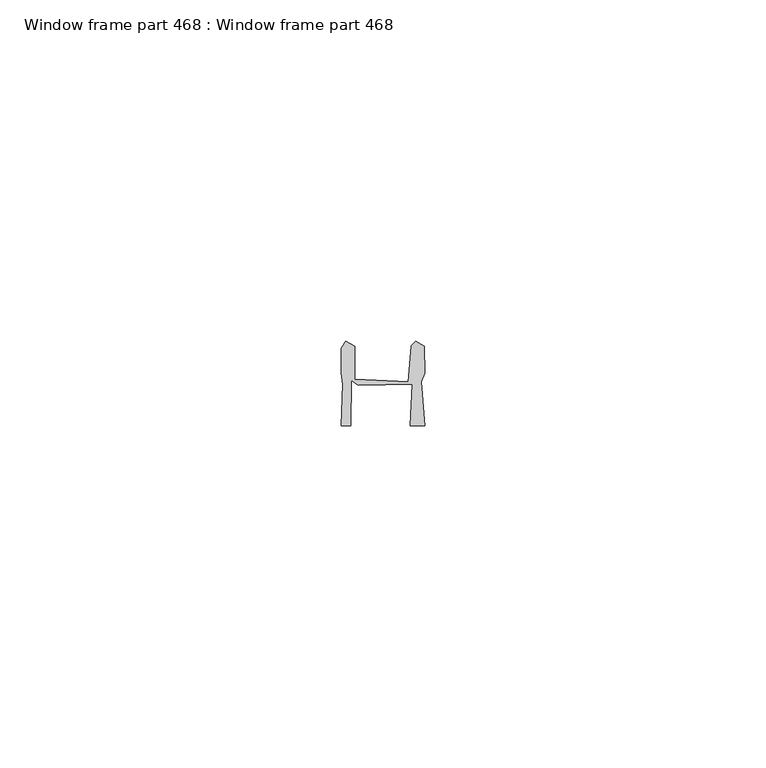
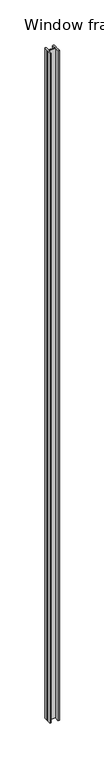
"""IFC4 building model written with IfcOpenShell, lengths in millimetres: proxy geometry, Window frame part 468 : Window frame part 468."""

from ifc_helpers import new_model, si_unit, frame, origin, place, context, project, spatial, polyline, outline, extrude, source, transform, mapped, element, save


def window_frame_part_468_window_frame_part_468_53d8b056(model_context):
    return source(origin(), model_context, "Body", "SweptSolid", [
        extrude(outline(polyline([(37232.4508328, -22873.4664504), (37232.3522808, -22880.1639224), (37230.9461368, -22880.1639224), (37231.1950568, -22874.0892584), (37230.9461368, -22872.4636584), (37230.9461368, -22868.7704984), (37231.6299048, -22867.7392584), (37232.9192088, -22868.5012584), (37232.9192088, -22873.3506264), (37240.8013368, -22873.6920024), (37241.2204368, -22868.3950567), (37241.8975661, -22867.7402744), (37243.1665848, -22868.5012584), (37243.1889368, -22872.4636584), (37242.6982088, -22873.6920024), (37243.1889368, -22880.1639224), (37241.1223928, -22880.1639224), (37241.3692808, -22874.0892584), (37233.4820728, -22874.1888264), (37232.4508328, -22873.4664504)])), frame((0.0, 0.0, 1524.0), z_axis=(0.0, 0.0, 1.0), x_axis=(1.0, 0.0, 0.0)), (0.0, 0.0, 1.0), 914.4),
    ])


if __name__ == "__main__":
    model = new_model("IFC4")
    model_context = context("Model", 3, world=origin())
    ifc_project = project(units=[si_unit("LENGTHUNIT", "METRE", prefix="MILLI")], contexts=[model_context])
    site = spatial("IfcSite", under=ifc_project)
    building = spatial("IfcBuilding", under=site)
    placement = place(None, origin())
    window_frame_part_468_window_frame_part_468_shape = window_frame_part_468_window_frame_part_468_53d8b056(model_context)
    element("IfcBuildingElementProxy", 1, Name="Window frame part 468 : Window frame part 468", ObjectType="Window frame part 468 : Window frame part 468", at=placement, inside=building, context=model_context, shape_type="MappedRepresentation", body=[
        mapped(window_frame_part_468_window_frame_part_468_shape, transform((0.0, 0.0, 0.0), x_axis=(1.0, 0.0, 0.0), y_axis=(0.0, 1.0, 0.0), z_axis=(0.0, 0.0, 1.0))),
    ])
    save(model, "model.ifc")
